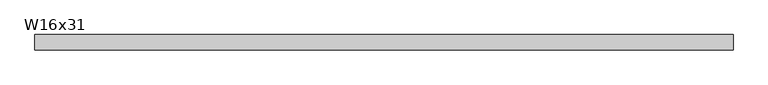
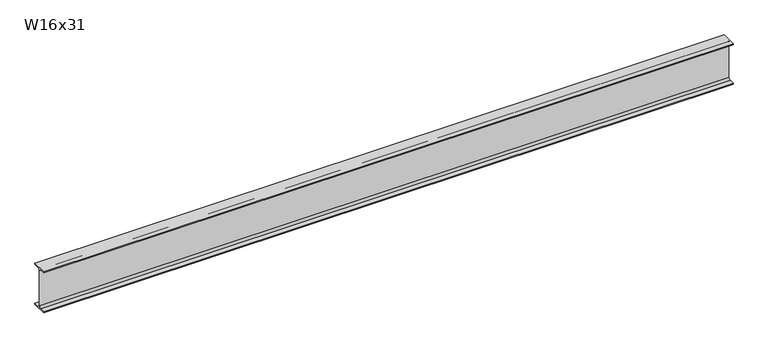
"""IFC4 building model written with IfcOpenShell, lengths in millimetres: beam geometry, W16x31."""

from ifc_helpers import new_model, si_unit, point, frame, frame_2d, origin, place, context, project, spatial, polyline, circle_curve, trimmed, segment, composite_curve, outline, extrude, source, transform, mapped, element, save


def w16x31_f110a1b0(model_context):
    return source(origin(), model_context, "Body", "SweptSolid", [
        extrude(outline(composite_curve([segment(polyline([(70.231, -190.754), (70.231, -201.93), (-70.231, -201.93), (-70.231, -190.754), (-20.8915, -190.754)]), True, "CONTINUOUS"), segment(trimmed(circle_curve(frame_2d((-20.8915, -173.355)), 17.399), [point((-20.8915, -190.754))], [point((-3.4925, -173.355))], True, "CARTESIAN"), True, "CONTINUOUS"), segment(polyline([(-3.4925, -173.355), (-3.4925, 173.355)]), True, "CONTINUOUS"), segment(trimmed(circle_curve(frame_2d((-20.8915, 173.355)), 17.399), [point((-3.4925, 173.355))], [point((-20.8915, 190.754))], True, "CARTESIAN"), True, "CONTINUOUS"), segment(polyline([(-20.8915, 190.754), (-70.231, 190.754), (-70.231, 201.93), (70.231, 201.93), (70.231, 190.754), (20.8915, 190.754)]), True, "CONTINUOUS"), segment(trimmed(circle_curve(frame_2d((20.8915, 173.355)), 17.399), [point((20.8915, 190.754))], [point((3.4925, 173.355))], True, "CARTESIAN"), True, "CONTINUOUS"), segment(polyline([(3.4925, 173.355), (3.4925, -173.355)]), True, "CONTINUOUS"), segment(trimmed(circle_curve(frame_2d((20.8915, -173.355)), 17.399), [point((3.4925, -173.355))], [point((20.8915, -190.754))], True, "CARTESIAN"), True, "CONTINUOUS"), segment(polyline([(20.8915, -190.754), (70.231, -190.754)]), True, "CONTINUOUS")], self_intersect=False)), frame((-3213.2376402, 0.0, 0.0), z_axis=(1.0, 0.0, 0.0), x_axis=(0.0, 1.0, 0.0)), (0.0, 0.0, 1.0), 6437.6485093),
    ])


if __name__ == "__main__":
    model = new_model("IFC4")
    model_context = context("Model", 3, world=origin())
    ifc_project = project(units=[si_unit("LENGTHUNIT", "METRE", prefix="MILLI")], contexts=[model_context])
    site = spatial("IfcSite", under=ifc_project)
    building = spatial("IfcBuilding", under=site)
    placement = place(None, origin())
    w16x31_shape = w16x31_f110a1b0(model_context)
    element("IfcBeam", 1, ObjectType="W16x31", at=placement, inside=building, context=model_context, shape_type="MappedRepresentation", body=[
        mapped(w16x31_shape, transform((0.0, 0.0, 0.0), x_axis=(1.0, 0.0, 0.0), y_axis=(0.0, 1.0, 0.0), z_axis=(0.0, 0.0, 1.0))),
    ])
    save(model, "model.ifc")
